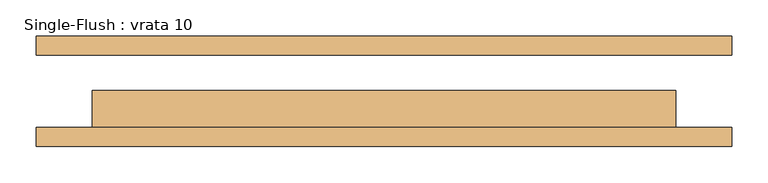
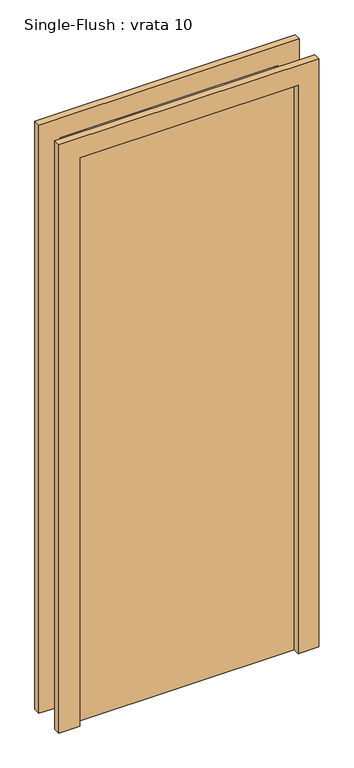
"""IFC4 building model written with IfcOpenShell, lengths in millimetres: door geometry, Single-Flush : vrata 10."""

from ifc_helpers import new_model, si_unit, frame, origin, origin_with_axes, place, context, project, spatial, polyline, outline, extrude, source, transform, mapped, element, save


def single_flush_vrata_10_cf6013de(model_context):
    return source(origin(), model_context, "Body", "SweptSolid", [
        extrude(outline(polyline([(2276.2, -476.2), (0.0, -476.2), (0.0, -400.0), (2200.0, -400.0), (2200.0, 400.0), (0.0, 400.0), (0.0, 476.2), (2276.2, 476.2), (2276.2, -476.2)])), frame((0.0, -75.4, 0.0), z_axis=(0.0, 1.0, 0.0), x_axis=(0.0, 0.0, 1.0)), (0.0, 0.0, 1.0), 25.4),
        extrude(outline(polyline([(2276.2, 476.2), (2276.2, -476.2), (0.0, -476.2), (0.0, -400.0), (2200.0, -400.0), (2200.0, 400.0), (0.0, 400.0), (0.0, 476.2), (2276.2, 476.2)])), frame((0.0, 50.0, 0.0), z_axis=(0.0, 1.0, 0.0), x_axis=(0.0, 0.0, 1.0)), (0.0, 0.0, 1.0), 25.4),
        extrude(outline(polyline([(400.0, 0.8), (400.0, -50.0), (-400.0, -50.0), (-400.0, 0.8), (400.0, 0.8)])), origin_with_axes(), (0.0, 0.0, 1.0), 2200.0),
    ])


if __name__ == "__main__":
    model = new_model("IFC4")
    model_context = context("Model", 3, world=origin())
    ifc_project = project(units=[si_unit("LENGTHUNIT", "METRE", prefix="MILLI")], contexts=[model_context])
    site = spatial("IfcSite", under=ifc_project)
    building = spatial("IfcBuilding", under=site)
    placement = place(None, origin())
    single_flush_vrata_10_shape = single_flush_vrata_10_cf6013de(model_context)
    element("IfcDoor", 1, ObjectType="Single-Flush : vrata 10", at=placement, inside=building, context=model_context, shape_type="MappedRepresentation", body=[
        mapped(single_flush_vrata_10_shape, transform((0.0, 0.0, 0.0), x_axis=(1.0, 0.0, 0.0), y_axis=(0.0, 1.0, 0.0), z_axis=(0.0, 0.0, 1.0))),
    ])
    save(model, "model.ifc")
